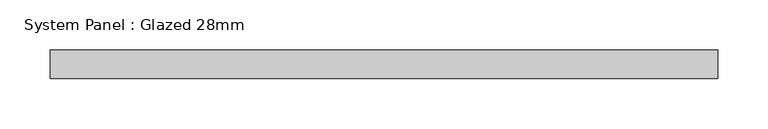
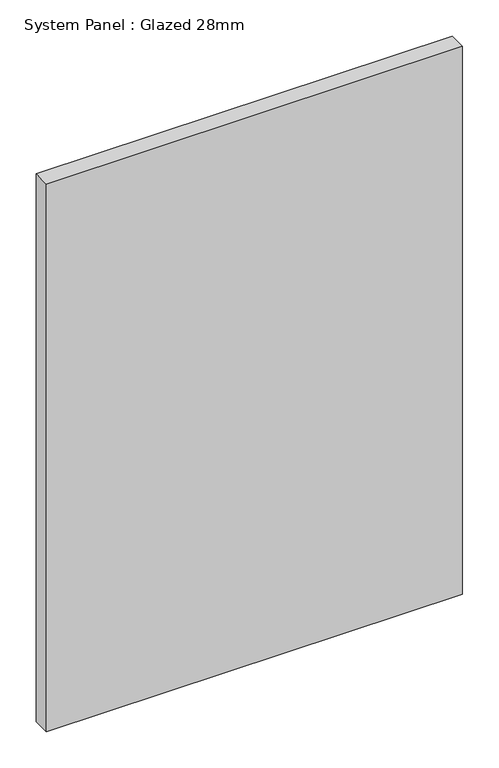
"""IFC4 building model written with IfcOpenShell, lengths in millimetres: plate geometry, System Panel : Glazed 28mm."""

from ifc_helpers import new_model, si_unit, origin, origin_with_axes, place, context, project, spatial, polyline, outline, extrude, source, transform, mapped, element, save


def system_panel_glazed_28mm_edf0673d(model_context):
    return source(origin(), model_context, "Body", "SweptSolid", [
        extrude(outline(polyline([(330.5994055, -14.0), (-330.5994055, -14.0), (-330.5994055, 14.0), (330.5994055, 14.0), (330.5994055, -14.0)])), origin_with_axes(), (0.0, 0.0, 1.0), 920.6831639),
    ])


if __name__ == "__main__":
    model = new_model("IFC4")
    model_context = context("Model", 3, world=origin())
    ifc_project = project(units=[si_unit("LENGTHUNIT", "METRE", prefix="MILLI")], contexts=[model_context])
    site = spatial("IfcSite", under=ifc_project)
    building = spatial("IfcBuilding", under=site)
    placement = place(None, origin())
    system_panel_glazed_28mm_shape = system_panel_glazed_28mm_edf0673d(model_context)
    element("IfcPlate", 1, ObjectType="System Panel : Glazed 28mm", at=placement, inside=building, context=model_context, shape_type="MappedRepresentation", body=[
        mapped(system_panel_glazed_28mm_shape, transform((0.0, 0.0, 0.0), x_axis=(1.0, 0.0, 0.0), y_axis=(0.0, 1.0, 0.0), z_axis=(0.0, 0.0, 1.0))),
    ])
    save(model, "model.ifc")
